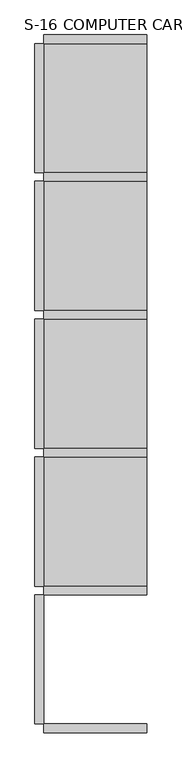
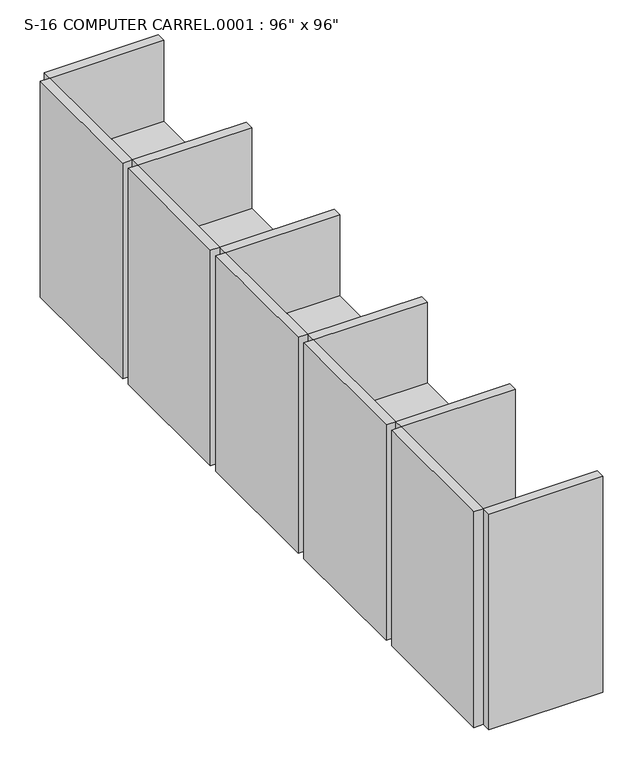
"""IFC4 building model written with IfcOpenShell, lengths in millimetres: furniture geometry."""

from ifc_helpers import new_model, si_unit, frame, origin, origin_with_axes, place, context, project, spatial, polyline, outline, extrude, source, transform, mapped, element, save


def furniture_3123f1ff(model_context):
    return source(origin(), model_context, "Body", "SweptSolid", [
        extrude(outline(polyline([(-80.9317522, -7911.8230076), (-80.9317522, -8673.8230076), (-131.7317522, -8673.8230076), (-131.7317522, -7911.8230076), (-80.9317522, -7911.8230076)])), origin_with_axes(), (0.0, 0.0, 1.0), 1219.2),
        extrude(outline(polyline([(528.6682478, -8673.8230076), (528.6682478, -8724.6230076), (-80.9317522, -8724.6230076), (-80.9317522, -8673.8230076), (528.6682478, -8673.8230076)])), origin_with_axes(), (0.0, 0.0, 1.0), 1219.2),
        extrude(outline(polyline([(-80.9317522, -4660.6230076), (-80.9317522, -5422.6230076), (-131.7317522, -5422.6230076), (-131.7317522, -4660.6230076), (-80.9317522, -4660.6230076)])), origin_with_axes(), (0.0, 0.0, 1.0), 1219.2),
        extrude(outline(polyline([(528.6682478, -4609.8230076), (528.6682478, -4660.6230076), (-80.9317522, -4660.6230076), (-80.9317522, -4609.8230076), (528.6682478, -4609.8230076)])), origin_with_axes(), (0.0, 0.0, 1.0), 1219.2),
        extrude(outline(polyline([(-80.9317522, -7099.0230076), (-80.9317522, -7861.0230076), (-131.7317522, -7861.0230076), (-131.7317522, -7099.0230076), (-80.9317522, -7099.0230076)])), origin_with_axes(), (0.0, 0.0, 1.0), 1219.2),
        extrude(outline(polyline([(528.6682478, -7861.0230076), (528.6682478, -7911.8230076), (-80.9317522, -7911.8230076), (-80.9317522, -7861.0230076), (528.6682478, -7861.0230076)])), origin_with_axes(), (0.0, 0.0, 1.0), 1219.2),
        extrude(outline(polyline([(-80.9317522, -7048.2230076), (-131.7317522, -7048.2230076), (-131.7317522, -6286.2230076), (-80.9317522, -6286.2230076), (-80.9317522, -7048.2230076)])), origin_with_axes(), (0.0, 0.0, 1.0), 1219.2),
        extrude(outline(polyline([(528.6682478, -7048.2230076), (528.6682478, -7099.0230076), (-80.9317522, -7099.0230076), (-80.9317522, -7048.2230076), (528.6682478, -7048.2230076)])), origin_with_axes(), (0.0, 0.0, 1.0), 1219.2),
        extrude(outline(polyline([(-80.9317522, -5473.4230076), (-80.9317522, -6235.4230076), (-131.7317522, -6235.4230076), (-131.7317522, -5473.4230076), (-80.9317522, -5473.4230076)])), origin_with_axes(), (0.0, 0.0, 1.0), 1219.2),
        extrude(outline(polyline([(528.6682478, -6235.4230076), (528.6682478, -6286.2230076), (-80.9317522, -6286.2230076), (-80.9317522, -6235.4230076), (528.6682478, -6235.4230076)])), origin_with_axes(), (0.0, 0.0, 1.0), 1219.2),
        extrude(outline(polyline([(528.6682478, -5422.6230076), (528.6682478, -5473.4230076), (-80.9317522, -5473.4230076), (-80.9317522, -5422.6230076), (528.6682478, -5422.6230076)])), origin_with_axes(), (0.0, 0.0, 1.0), 1219.2),
        extrude(outline(polyline([(528.6682478, -5422.6230076), (-80.9317522, -5422.6230076), (-80.9317522, -4660.6230076), (528.6682478, -4660.6230076), (528.6682478, -5422.6230076)])), frame((0.0, 0.0, 723.9), z_axis=(0.0, 0.0, 1.0), x_axis=(1.0, 0.0, 0.0)), (0.0, 0.0, 1.0), 38.1),
        extrude(outline(polyline([(528.6682478, -7861.0230076), (-80.9317522, -7861.0230076), (-80.9317522, -7099.0230076), (528.6682478, -7099.0230076), (528.6682478, -7861.0230076)])), frame((0.0, 0.0, 723.9), z_axis=(0.0, 0.0, 1.0), x_axis=(1.0, 0.0, 0.0)), (0.0, 0.0, 1.0), 38.1),
        extrude(outline(polyline([(528.6682478, -6286.2230076), (528.6682478, -7048.2230076), (-80.9317522, -7048.2230076), (-80.9317522, -6286.2230076), (528.6682478, -6286.2230076)])), frame((0.0, 0.0, 723.9), z_axis=(0.0, 0.0, 1.0), x_axis=(1.0, 0.0, 0.0)), (0.0, 0.0, 1.0), 38.1),
        extrude(outline(polyline([(528.6682478, -6235.4230076), (-80.9317522, -6235.4230076), (-80.9317522, -5473.4230076), (528.6682478, -5473.4230076), (528.6682478, -6235.4230076)])), frame((0.0, 0.0, 723.9), z_axis=(0.0, 0.0, 1.0), x_axis=(1.0, 0.0, 0.0)), (0.0, 0.0, 1.0), 38.1),
    ])


if __name__ == "__main__":
    model = new_model("IFC4")
    model_context = context("Model", 3, world=origin())
    ifc_project = project(units=[si_unit("LENGTHUNIT", "METRE", prefix="MILLI")], contexts=[model_context])
    site = spatial("IfcSite", under=ifc_project)
    building = spatial("IfcBuilding", under=site)
    placement = place(None, origin())
    furniture_shape = furniture_3123f1ff(model_context)
    element("IfcFurniture", 1, ObjectType="S-16 COMPUTER CARREL.0001 : 96\" x 96\"", at=placement, inside=building, context=model_context, shape_type="MappedRepresentation", body=[
        mapped(furniture_shape, transform((0.0, 0.0, 0.0), x_axis=(1.0, 0.0, 0.0), y_axis=(0.0, 1.0, 0.0), z_axis=(0.0, 0.0, 1.0))),
    ])
    save(model, "model.ifc")
